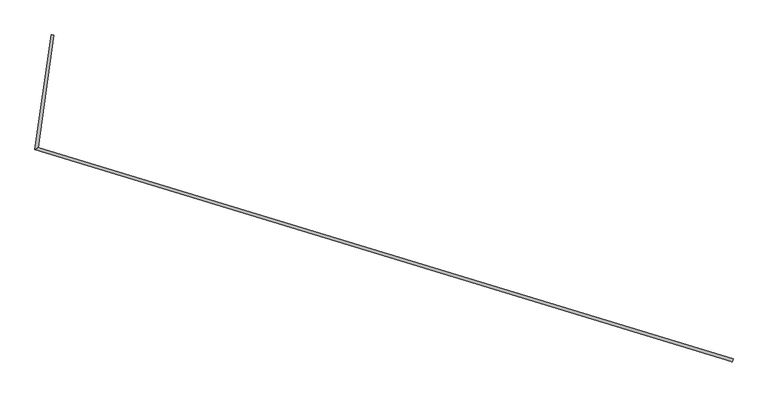
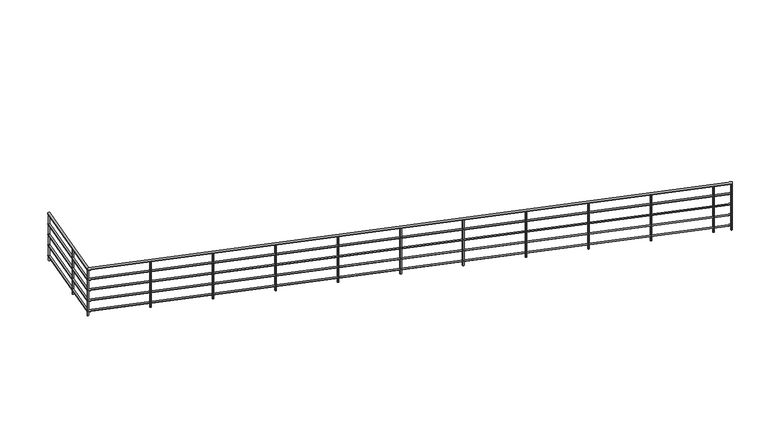
"""IFC4 building model written with IfcOpenShell, lengths in millimetres: railing geometry."""

from ifc_helpers import new_model, si_unit, point, frame, frame_2d, origin, place, context, project, spatial, circle_curve, ellipse_curve, trimmed, segment, composite_curve, outline, extrude, source, transform, mapped, element, save
from ifc_brep_helpers import plane_surface, cylinder_surface, advanced_brep


def railing_3d6b7c98(model_context):
    return source(origin(), model_context, "Body", "SolidModel", [
        advanced_brep(
        [(-7378.066133, 5677.0877602, 4180.0), (-7338.4554103, 5671.5208361, 4180.0), (-7606.2950215, 4053.1548371, 4180.0), (-7561.9249111, 4081.4527159, 4180.0), (2259.7585543, 1047.5161072, 4180.0), (2271.4154072, 1085.7798993, 4180.0)],
        [
            (0, 1, circle_curve(frame((-7358.2607717, 5674.3042982, 4180.0), z_axis=(0.13917310096006671, 0.9902680687415701, 0.0), x_axis=(0.9902680687415701, -0.13917310096006671, 0.0)), 20.0)),
            (1, 0, circle_curve(frame((-7358.2607717, 5674.3042982, 4180.0), z_axis=(0.13917310096006671, 0.9902680687415701, 0.0), x_axis=(0.9902680687415701, -0.13917310096006671, 0.0)), 20.0)),
            (0, 2),
            (2, 3, ellipse_curve(frame((-7584.1099663, 4067.3037765, 4180.0), z_axis=(-0.5377185624978709, 0.8431243962460244, 0.0), x_axis=(0.8431243962460244, 0.5377185624978712, 0.0)), 26.3129086, 20.0)),
            (3, 1),
            (3, 2, ellipse_curve(frame((-7584.1099663, 4067.3037765, 4180.0), z_axis=(-0.5377185624978709, 0.8431243962460244, 0.0), x_axis=(0.8431243962460244, 0.5377185624978712, 0.0)), 26.3129086, 20.0)),
            (4, 5, circle_curve(frame((2265.5869807, 1066.6480032, 4180.0), z_axis=(0.9565948007063341, -0.29142132259258086, 0.0), x_axis=(0.29142132259258086, 0.9565948007063341, 0.0)), 20.0)),
            (5, 4, circle_curve(frame((2265.5869807, 1066.6480032, 4180.0), z_axis=(0.9565948007063341, -0.29142132259258086, 0.0), x_axis=(0.29142132259258086, 0.9565948007063341, 0.0)), 20.0)),
            (2, 4),
            (5, 3),
        ],
        [
            plane_surface(frame((-7358.2607717, 5674.3042982, 4200.0), z_axis=(0.13917310096006671, 0.9902680687415701, 0.0), x_axis=(0.9902680687415701, -0.13917310096006671, 0.0))),
            cylinder_surface(frame((-7358.2607717, 5674.3042982, 4180.0), z_axis=(0.13917310096006671, 0.9902680687415701, 0.0), x_axis=(0.9902680687415701, -0.13917310096006671, 0.0)), 20.0),
            plane_surface(frame((2265.5869807, 1066.6480032, 4200.0), z_axis=(0.9565948007063341, -0.2914213225925809, 0.0), x_axis=(0.2914213225925809, 0.9565948007063341, 0.0))),
            cylinder_surface(frame((-7584.1099663, 4067.3037765, 4180.0), z_axis=(-0.9565948007063341, 0.29142132259258086, 0.0), x_axis=(0.29142132259258086, 0.9565948007063341, 0.0)), 20.0),
        ],
        [
            (0, [[1, 2]]),
            (1, [[-1, 3, 4, 5]]),
            (1, [[-2, -5, 6, -3]]),
            (2, [[7, 8]]),
            (3, [[-4, 9, -8, 10]]),
            (3, [[-6, -10, -7, -9]]),
        ],
    ),
        advanced_brep(
        [(-7373.1147927, 5676.3918947, 3985.0), (-7343.4067506, 5672.2167016, 3985.0), (-7600.7487577, 4056.692072, 3985.0), (-7567.4711749, 4077.9154811, 3985.0), (2261.2156609, 1052.2990812, 3985.0), (2269.9583006, 1080.9969253, 3985.0)],
        [
            (0, 1, circle_curve(frame((-7358.2607717, 5674.3042982, 3985.0), z_axis=(0.13917310096006671, 0.9902680687415701, 0.0), x_axis=(0.9902680687415701, -0.13917310096006671, 0.0)), 15.0)),
            (1, 0, circle_curve(frame((-7358.2607717, 5674.3042982, 3985.0), z_axis=(0.13917310096006671, 0.9902680687415701, 0.0), x_axis=(0.9902680687415701, -0.13917310096006671, 0.0)), 15.0)),
            (0, 2),
            (2, 3, ellipse_curve(frame((-7584.1099663, 4067.3037765, 3985.0), z_axis=(-0.5377185624978709, 0.8431243962460244, 0.0), x_axis=(0.8431243962460244, 0.5377185624978712, 0.0)), 19.7346815, 15.0)),
            (3, 1),
            (3, 2, ellipse_curve(frame((-7584.1099663, 4067.3037765, 3985.0), z_axis=(-0.5377185624978709, 0.8431243962460244, 0.0), x_axis=(0.8431243962460244, 0.5377185624978712, 0.0)), 19.7346815, 15.0)),
            (4, 5, circle_curve(frame((2265.5869807, 1066.6480032, 3985.0), z_axis=(0.9565948007063341, -0.29142132259258086, 0.0), x_axis=(0.29142132259258086, 0.9565948007063341, 0.0)), 15.0)),
            (5, 4, circle_curve(frame((2265.5869807, 1066.6480032, 3985.0), z_axis=(0.9565948007063341, -0.29142132259258086, 0.0), x_axis=(0.29142132259258086, 0.9565948007063341, 0.0)), 15.0)),
            (2, 4),
            (5, 3),
        ],
        [
            plane_surface(frame((-7358.2607717, 5674.3042982, 4000.0), z_axis=(0.13917310096006671, 0.9902680687415701, 0.0), x_axis=(0.9902680687415701, -0.13917310096006671, 0.0))),
            cylinder_surface(frame((-7358.2607717, 5674.3042982, 3985.0), z_axis=(0.13917310096006671, 0.9902680687415701, 0.0), x_axis=(0.9902680687415701, -0.13917310096006671, 0.0)), 15.0),
            plane_surface(frame((2265.5869807, 1066.6480032, 4000.0), z_axis=(0.9565948007063341, -0.2914213225925809, 0.0), x_axis=(0.2914213225925809, 0.9565948007063341, 0.0))),
            cylinder_surface(frame((-7584.1099663, 4067.3037765, 3985.0), z_axis=(-0.9565948007063341, 0.29142132259258086, 0.0), x_axis=(0.29142132259258086, 0.9565948007063341, 0.0)), 15.0),
        ],
        [
            (0, [[1, 2]]),
            (1, [[-1, 3, 4, 5]]),
            (1, [[-2, -5, 6, -3]]),
            (2, [[7, 8]]),
            (3, [[-4, 9, -8, 10]]),
            (3, [[-6, -10, -7, -9]]),
        ],
    ),
        advanced_brep(
        [(-7373.1147927, 5676.3918947, 3785.0), (-7343.4067506, 5672.2167016, 3785.0), (-7600.7487577, 4056.692072, 3785.0), (-7567.4711749, 4077.9154811, 3785.0), (2261.2156609, 1052.2990812, 3785.0), (2269.9583006, 1080.9969253, 3785.0)],
        [
            (0, 1, circle_curve(frame((-7358.2607717, 5674.3042982, 3785.0), z_axis=(0.13917310096006671, 0.9902680687415701, 0.0), x_axis=(0.9902680687415701, -0.13917310096006671, 0.0)), 15.0)),
            (1, 0, circle_curve(frame((-7358.2607717, 5674.3042982, 3785.0), z_axis=(0.13917310096006671, 0.9902680687415701, 0.0), x_axis=(0.9902680687415701, -0.13917310096006671, 0.0)), 15.0)),
            (0, 2),
            (2, 3, ellipse_curve(frame((-7584.1099663, 4067.3037765, 3785.0), z_axis=(-0.5377185624978709, 0.8431243962460244, 0.0), x_axis=(0.8431243962460244, 0.5377185624978712, 0.0)), 19.7346815, 15.0)),
            (3, 1),
            (3, 2, ellipse_curve(frame((-7584.1099663, 4067.3037765, 3785.0), z_axis=(-0.5377185624978709, 0.8431243962460244, 0.0), x_axis=(0.8431243962460244, 0.5377185624978712, 0.0)), 19.7346815, 15.0)),
            (4, 5, circle_curve(frame((2265.5869807, 1066.6480032, 3785.0), z_axis=(0.9565948007063341, -0.29142132259258086, 0.0), x_axis=(0.29142132259258086, 0.9565948007063341, 0.0)), 15.0)),
            (5, 4, circle_curve(frame((2265.5869807, 1066.6480032, 3785.0), z_axis=(0.9565948007063341, -0.29142132259258086, 0.0), x_axis=(0.29142132259258086, 0.9565948007063341, 0.0)), 15.0)),
            (2, 4),
            (5, 3),
        ],
        [
            plane_surface(frame((-7358.2607717, 5674.3042982, 3800.0), z_axis=(0.13917310096006671, 0.9902680687415701, 0.0), x_axis=(0.9902680687415701, -0.13917310096006671, 0.0))),
            cylinder_surface(frame((-7358.2607717, 5674.3042982, 3785.0), z_axis=(0.13917310096006671, 0.9902680687415701, 0.0), x_axis=(0.9902680687415701, -0.13917310096006671, 0.0)), 15.0),
            plane_surface(frame((2265.5869807, 1066.6480032, 3800.0), z_axis=(0.9565948007063341, -0.2914213225925809, 0.0), x_axis=(0.2914213225925809, 0.9565948007063341, 0.0))),
            cylinder_surface(frame((-7584.1099663, 4067.3037765, 3785.0), z_axis=(-0.9565948007063341, 0.29142132259258086, 0.0), x_axis=(0.29142132259258086, 0.9565948007063341, 0.0)), 15.0),
        ],
        [
            (0, [[1, 2]]),
            (1, [[-1, 3, 4, 5]]),
            (1, [[-2, -5, 6, -3]]),
            (2, [[7, 8]]),
            (3, [[-4, 9, -8, 10]]),
            (3, [[-6, -10, -7, -9]]),
        ],
    ),
        advanced_brep(
        [(-7373.1147927, 5676.3918947, 3585.0), (-7343.4067506, 5672.2167016, 3585.0), (-7600.7487577, 4056.692072, 3585.0), (-7567.4711749, 4077.9154811, 3585.0), (2261.2156609, 1052.2990812, 3585.0), (2269.9583006, 1080.9969253, 3585.0)],
        [
            (0, 1, circle_curve(frame((-7358.2607717, 5674.3042982, 3585.0), z_axis=(0.13917310096006671, 0.9902680687415701, 0.0), x_axis=(0.9902680687415701, -0.13917310096006671, 0.0)), 15.0)),
            (1, 0, circle_curve(frame((-7358.2607717, 5674.3042982, 3585.0), z_axis=(0.13917310096006671, 0.9902680687415701, 0.0), x_axis=(0.9902680687415701, -0.13917310096006671, 0.0)), 15.0)),
            (0, 2),
            (2, 3, ellipse_curve(frame((-7584.1099663, 4067.3037765, 3585.0), z_axis=(-0.5377185624978709, 0.8431243962460244, 0.0), x_axis=(0.8431243962460244, 0.5377185624978712, 0.0)), 19.7346815, 15.0)),
            (3, 1),
            (3, 2, ellipse_curve(frame((-7584.1099663, 4067.3037765, 3585.0), z_axis=(-0.5377185624978709, 0.8431243962460244, 0.0), x_axis=(0.8431243962460244, 0.5377185624978712, 0.0)), 19.7346815, 15.0)),
            (4, 5, circle_curve(frame((2265.5869807, 1066.6480032, 3585.0), z_axis=(0.9565948007063341, -0.29142132259258086, 0.0), x_axis=(0.29142132259258086, 0.9565948007063341, 0.0)), 15.0)),
            (5, 4, circle_curve(frame((2265.5869807, 1066.6480032, 3585.0), z_axis=(0.9565948007063341, -0.29142132259258086, 0.0), x_axis=(0.29142132259258086, 0.9565948007063341, 0.0)), 15.0)),
            (2, 4),
            (5, 3),
        ],
        [
            plane_surface(frame((-7358.2607717, 5674.3042982, 3600.0), z_axis=(0.13917310096006671, 0.9902680687415701, 0.0), x_axis=(0.9902680687415701, -0.13917310096006671, 0.0))),
            cylinder_surface(frame((-7358.2607717, 5674.3042982, 3585.0), z_axis=(0.13917310096006671, 0.9902680687415701, 0.0), x_axis=(0.9902680687415701, -0.13917310096006671, 0.0)), 15.0),
            plane_surface(frame((2265.5869807, 1066.6480032, 3600.0), z_axis=(0.9565948007063341, -0.2914213225925809, 0.0), x_axis=(0.2914213225925809, 0.9565948007063341, 0.0))),
            cylinder_surface(frame((-7584.1099663, 4067.3037765, 3585.0), z_axis=(-0.9565948007063341, 0.29142132259258086, 0.0), x_axis=(0.29142132259258086, 0.9565948007063341, 0.0)), 15.0),
        ],
        [
            (0, [[1, 2]]),
            (1, [[-1, 3, 4, 5]]),
            (1, [[-2, -5, 6, -3]]),
            (2, [[7, 8]]),
            (3, [[-4, 9, -8, 10]]),
            (3, [[-6, -10, -7, -9]]),
        ],
    ),
        advanced_brep(
        [(-7373.1147927, 5676.3918947, 3385.0), (-7343.4067506, 5672.2167016, 3385.0), (-7600.7487577, 4056.692072, 3385.0), (-7567.4711749, 4077.9154811, 3385.0), (2261.2156609, 1052.2990812, 3385.0), (2269.9583006, 1080.9969253, 3385.0)],
        [
            (0, 1, circle_curve(frame((-7358.2607717, 5674.3042982, 3385.0), z_axis=(0.13917310096006671, 0.9902680687415701, 0.0), x_axis=(0.9902680687415701, -0.13917310096006671, 0.0)), 15.0)),
            (1, 0, circle_curve(frame((-7358.2607717, 5674.3042982, 3385.0), z_axis=(0.13917310096006671, 0.9902680687415701, 0.0), x_axis=(0.9902680687415701, -0.13917310096006671, 0.0)), 15.0)),
            (0, 2),
            (2, 3, ellipse_curve(frame((-7584.1099663, 4067.3037765, 3385.0), z_axis=(-0.5377185624978709, 0.8431243962460244, 0.0), x_axis=(0.8431243962460244, 0.5377185624978712, 0.0)), 19.7346815, 15.0)),
            (3, 1),
            (3, 2, ellipse_curve(frame((-7584.1099663, 4067.3037765, 3385.0), z_axis=(-0.5377185624978709, 0.8431243962460244, 0.0), x_axis=(0.8431243962460244, 0.5377185624978712, 0.0)), 19.7346815, 15.0)),
            (4, 5, circle_curve(frame((2265.5869807, 1066.6480032, 3385.0), z_axis=(0.9565948007063341, -0.29142132259258086, 0.0), x_axis=(0.29142132259258086, 0.9565948007063341, 0.0)), 15.0)),
            (5, 4, circle_curve(frame((2265.5869807, 1066.6480032, 3385.0), z_axis=(0.9565948007063341, -0.29142132259258086, 0.0), x_axis=(0.29142132259258086, 0.9565948007063341, 0.0)), 15.0)),
            (2, 4),
            (5, 3),
        ],
        [
            plane_surface(frame((-7358.2607717, 5674.3042982, 3400.0), z_axis=(0.13917310096006671, 0.9902680687415701, 0.0), x_axis=(0.9902680687415701, -0.13917310096006671, 0.0))),
            cylinder_surface(frame((-7358.2607717, 5674.3042982, 3385.0), z_axis=(0.13917310096006671, 0.9902680687415701, 0.0), x_axis=(0.9902680687415701, -0.13917310096006671, 0.0)), 15.0),
            plane_surface(frame((2265.5869807, 1066.6480032, 3400.0), z_axis=(0.9565948007063341, -0.2914213225925809, 0.0), x_axis=(0.2914213225925809, 0.9565948007063341, 0.0))),
            cylinder_surface(frame((-7584.1099663, 4067.3037765, 3385.0), z_axis=(-0.9565948007063341, 0.29142132259258086, 0.0), x_axis=(0.29142132259258086, 0.9565948007063341, 0.0)), 15.0),
        ],
        [
            (0, [[1, 2]]),
            (1, [[-1, 3, 4, 5]]),
            (1, [[-2, -5, 6, -3]]),
            (2, [[7, 8]]),
            (3, [[-4, 9, -8, 10]]),
            (3, [[-6, -10, -7, -9]]),
        ],
    ),
        extrude(outline(composite_curve([segment(trimmed(circle_curve(frame_2d((1981.8380407, 1153.0905506)), 12.5), [point((1978.1952742, 1141.1331156))], [point((1985.4808073, 1165.0479856))], False, "CARTESIAN"), True, "CONTINUOUS"), segment(trimmed(circle_curve(frame_2d((1981.8380407, 1153.0905506)), 12.5), [point((1985.4808073, 1165.0479856))], [point((1978.1952742, 1141.1331156))], False, "CARTESIAN"), True, "CONTINUOUS")], self_intersect=False)), frame((0.0, 0.0, 3300.0), z_axis=(0.0, 0.0, 1.0), x_axis=(1.0, 0.0, 0.0)), (0.0, 0.0, 1.0), 860.0),
        extrude(outline(composite_curve([segment(trimmed(circle_curve(frame_2d((1025.24324, 1444.5118732)), 12.5), [point((1021.6004735, 1432.5544382))], [point((1028.8860066, 1456.4693082))], False, "CARTESIAN"), True, "CONTINUOUS"), segment(trimmed(circle_curve(frame_2d((1025.24324, 1444.5118732)), 12.5), [point((1028.8860066, 1456.4693082))], [point((1021.6004735, 1432.5544382))], False, "CARTESIAN"), True, "CONTINUOUS")], self_intersect=False)), frame((0.0, 0.0, 3300.0), z_axis=(0.0, 0.0, 1.0), x_axis=(1.0, 0.0, 0.0)), (0.0, 0.0, 1.0), 860.0),
        extrude(outline(composite_curve([segment(trimmed(circle_curve(frame_2d((68.6484393, 1735.9331958)), 12.5), [point((65.0056728, 1723.9757608))], [point((72.2912059, 1747.8906308))], False, "CARTESIAN"), True, "CONTINUOUS"), segment(trimmed(circle_curve(frame_2d((68.6484393, 1735.9331958)), 12.5), [point((72.2912059, 1747.8906308))], [point((65.0056728, 1723.9757608))], False, "CARTESIAN"), True, "CONTINUOUS")], self_intersect=False)), frame((0.0, 0.0, 3300.0), z_axis=(0.0, 0.0, 1.0), x_axis=(1.0, 0.0, 0.0)), (0.0, 0.0, 1.0), 860.0),
        extrude(outline(composite_curve([segment(trimmed(circle_curve(frame_2d((-887.9463614, 2027.3545184)), 12.5), [point((-891.5891279, 2015.3970834))], [point((-884.3035949, 2039.3119534))], False, "CARTESIAN"), True, "CONTINUOUS"), segment(trimmed(circle_curve(frame_2d((-887.9463614, 2027.3545184)), 12.5), [point((-884.3035949, 2039.3119534))], [point((-891.5891279, 2015.3970834))], False, "CARTESIAN"), True, "CONTINUOUS")], self_intersect=False)), frame((0.0, 0.0, 3300.0), z_axis=(0.0, 0.0, 1.0), x_axis=(1.0, 0.0, 0.0)), (0.0, 0.0, 1.0), 860.0),
        extrude(outline(composite_curve([segment(trimmed(circle_curve(frame_2d((-1844.5411621, 2318.775841)), 12.5), [point((-1848.1839286, 2306.818406))], [point((-1840.8983956, 2330.733276))], False, "CARTESIAN"), True, "CONTINUOUS"), segment(trimmed(circle_curve(frame_2d((-1844.5411621, 2318.775841)), 12.5), [point((-1840.8983956, 2330.733276))], [point((-1848.1839286, 2306.818406))], False, "CARTESIAN"), True, "CONTINUOUS")], self_intersect=False)), frame((0.0, 0.0, 3300.0), z_axis=(0.0, 0.0, 1.0), x_axis=(1.0, 0.0, 0.0)), (0.0, 0.0, 1.0), 860.0),
        extrude(outline(composite_curve([segment(trimmed(circle_curve(frame_2d((-2801.1359628, 2610.1971636)), 12.5), [point((-2804.7787293, 2598.2397286))], [point((-2797.4931963, 2622.1545986))], False, "CARTESIAN"), True, "CONTINUOUS"), segment(trimmed(circle_curve(frame_2d((-2801.1359628, 2610.1971636)), 12.5), [point((-2797.4931963, 2622.1545986))], [point((-2804.7787293, 2598.2397286))], False, "CARTESIAN"), True, "CONTINUOUS")], self_intersect=False)), frame((0.0, 0.0, 3300.0), z_axis=(0.0, 0.0, 1.0), x_axis=(1.0, 0.0, 0.0)), (0.0, 0.0, 1.0), 860.0),
        extrude(outline(composite_curve([segment(trimmed(circle_curve(frame_2d((-3757.7307635, 2901.6184862)), 12.5), [point((-3761.37353, 2889.6610512))], [point((-3754.087997, 2913.5759212))], False, "CARTESIAN"), True, "CONTINUOUS"), segment(trimmed(circle_curve(frame_2d((-3757.7307635, 2901.6184862)), 12.5), [point((-3754.087997, 2913.5759212))], [point((-3761.37353, 2889.6610512))], False, "CARTESIAN"), True, "CONTINUOUS")], self_intersect=False)), frame((0.0, 0.0, 3300.0), z_axis=(0.0, 0.0, 1.0), x_axis=(1.0, 0.0, 0.0)), (0.0, 0.0, 1.0), 860.0),
        extrude(outline(composite_curve([segment(trimmed(circle_curve(frame_2d((-4714.3255642, 3193.0398088)), 12.5), [point((-4717.9683307, 3181.0823738))], [point((-4710.6827977, 3204.9972438))], False, "CARTESIAN"), True, "CONTINUOUS"), segment(trimmed(circle_curve(frame_2d((-4714.3255642, 3193.0398088)), 12.5), [point((-4710.6827977, 3204.9972438))], [point((-4717.9683307, 3181.0823738))], False, "CARTESIAN"), True, "CONTINUOUS")], self_intersect=False)), frame((0.0, 0.0, 3300.0), z_axis=(0.0, 0.0, 1.0), x_axis=(1.0, 0.0, 0.0)), (0.0, 0.0, 1.0), 860.0),
        extrude(outline(composite_curve([segment(trimmed(circle_curve(frame_2d((-5670.9203649, 3484.4611314)), 12.5), [point((-5674.5631314, 3472.5036963))], [point((-5667.2775984, 3496.4185664))], False, "CARTESIAN"), True, "CONTINUOUS"), segment(trimmed(circle_curve(frame_2d((-5670.9203649, 3484.4611314)), 12.5), [point((-5667.2775984, 3496.4185664))], [point((-5674.5631314, 3472.5036963))], False, "CARTESIAN"), True, "CONTINUOUS")], self_intersect=False)), frame((0.0, 0.0, 3300.0), z_axis=(0.0, 0.0, 1.0), x_axis=(1.0, 0.0, 0.0)), (0.0, 0.0, 1.0), 860.0),
        extrude(outline(composite_curve([segment(trimmed(circle_curve(frame_2d((-6627.5151656, 3775.8824539)), 12.5), [point((-6631.1579322, 3763.9250189))], [point((-6623.8723991, 3787.839889))], False, "CARTESIAN"), True, "CONTINUOUS"), segment(trimmed(circle_curve(frame_2d((-6627.5151656, 3775.8824539)), 12.5), [point((-6623.8723991, 3787.839889))], [point((-6631.1579322, 3763.9250189))], False, "CARTESIAN"), True, "CONTINUOUS")], self_intersect=False)), frame((0.0, 0.0, 3300.0), z_axis=(0.0, 0.0, 1.0), x_axis=(1.0, 0.0, 0.0)), (0.0, 0.0, 1.0), 860.0),
        extrude(outline(composite_curve([segment(trimmed(circle_curve(frame_2d((-7497.4338726, 4684.0362294)), 12.5), [point((-7509.8122235, 4685.7758932))], [point((-7485.0555218, 4682.2965657))], False, "CARTESIAN"), True, "CONTINUOUS"), segment(trimmed(circle_curve(frame_2d((-7497.4338726, 4684.0362294)), 12.5), [point((-7485.0555218, 4682.2965657))], [point((-7509.8122235, 4685.7758932))], False, "CARTESIAN"), True, "CONTINUOUS")], self_intersect=False)), frame((0.0, 0.0, 3300.0), z_axis=(0.0, 0.0, 1.0), x_axis=(1.0, 0.0, 0.0)), (0.0, 0.0, 1.0), 860.0),
        extrude(outline(composite_curve([segment(trimmed(circle_curve(frame_2d((-7584.1099663, 4067.3037765)), 12.5), [point((-7596.4883172, 4069.0434403))], [point((-7571.7316155, 4065.5641128))], False, "CARTESIAN"), True, "CONTINUOUS"), segment(trimmed(circle_curve(frame_2d((-7584.1099663, 4067.3037765)), 12.5), [point((-7571.7316155, 4065.5641128))], [point((-7596.4883172, 4069.0434403))], False, "CARTESIAN"), True, "CONTINUOUS")], self_intersect=False)), frame((0.0, 0.0, 3300.0), z_axis=(0.0, 0.0, 1.0), x_axis=(1.0, 0.0, 0.0)), (0.0, 0.0, 1.0), 860.0),
        extrude(outline(composite_curve([segment(trimmed(circle_curve(frame_2d((2253.6295457, 1070.2907698)), 12.5), [point((2249.9867792, 1058.3333348))], [point((2257.2723122, 1082.2482048))], False, "CARTESIAN"), True, "CONTINUOUS"), segment(trimmed(circle_curve(frame_2d((2253.6295457, 1070.2907698)), 12.5), [point((2257.2723122, 1082.2482048))], [point((2249.9867792, 1058.3333348))], False, "CARTESIAN"), True, "CONTINUOUS")], self_intersect=False)), frame((0.0, 0.0, 3300.0), z_axis=(0.0, 0.0, 1.0), x_axis=(1.0, 0.0, 0.0)), (0.0, 0.0, 1.0), 860.0),
        extrude(outline(composite_curve([segment(trimmed(circle_curve(frame_2d((-7360.0004354, 5661.9259473)), 12.5), [point((-7372.3787863, 5663.6656111))], [point((-7347.6220846, 5660.1862835))], False, "CARTESIAN"), True, "CONTINUOUS"), segment(trimmed(circle_curve(frame_2d((-7360.0004354, 5661.9259473)), 12.5), [point((-7347.6220846, 5660.1862835))], [point((-7372.3787863, 5663.6656111))], False, "CARTESIAN"), True, "CONTINUOUS")], self_intersect=False)), frame((0.0, 0.0, 3300.0), z_axis=(0.0, 0.0, 1.0), x_axis=(1.0, 0.0, 0.0)), (0.0, 0.0, 1.0), 860.0),
    ])


if __name__ == "__main__":
    model = new_model("IFC4")
    model_context = context("Model", 3, world=origin())
    ifc_project = project(units=[si_unit("LENGTHUNIT", "METRE", prefix="MILLI")], contexts=[model_context])
    site = spatial("IfcSite", under=ifc_project)
    building = spatial("IfcBuilding", under=site)
    placement = place(None, origin())
    railing_shape = railing_3d6b7c98(model_context)
    element("IfcRailing", 1, at=placement, inside=building, context=model_context, shape_type="MappedRepresentation", body=[
        mapped(railing_shape, transform((0.0, 0.0, 0.0), x_axis=(1.0, 0.0, 0.0), y_axis=(0.0, 1.0, 0.0), z_axis=(0.0, 0.0, 1.0))),
    ])
    save(model, "model.ifc")
